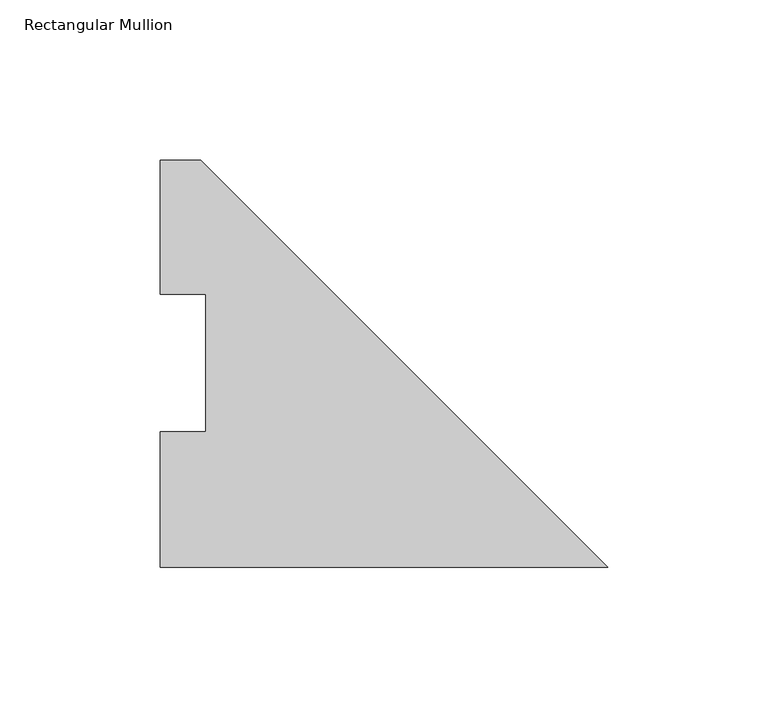
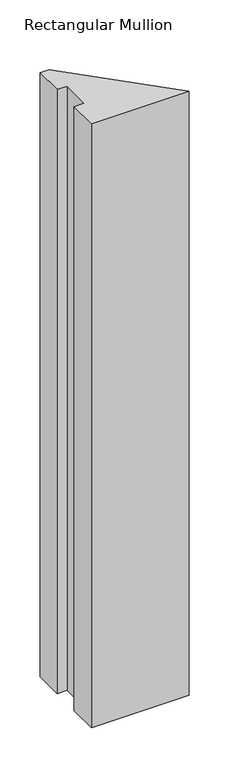
"""IFC4 building model written with IfcOpenShell, lengths in millimetres: member geometry, Rectangular Mullion."""

from ifc_helpers import new_model, si_unit, frame, origin, place, context, project, spatial, polyline, outline, extrude, source, transform, mapped, element, save


def rectangular_mullion_1a34fee9(model_context):
    return source(origin(), model_context, "Body", "SweptSolid", [
        extrude(outline(polyline([(0.0, -0.0294092), (-139.7, -0.0294092), (-139.7, 42.2798875), (-125.4125, 42.2798875), (-125.4125, 85.1296875), (-139.7, 85.1296875), (-139.7, 126.9705908), (-127.0, 126.9705908), (0.0, -0.0294092)])), frame((0.0, 0.0, -914.4), z_axis=(0.0, 0.0, 1.0), x_axis=(1.0, 0.0, 0.0)), (0.0, 0.0, 1.0), 914.4),
    ])


if __name__ == "__main__":
    model = new_model("IFC4")
    model_context = context("Model", 3, world=origin())
    ifc_project = project(units=[si_unit("LENGTHUNIT", "METRE", prefix="MILLI")], contexts=[model_context])
    site = spatial("IfcSite", under=ifc_project)
    building = spatial("IfcBuilding", under=site)
    placement = place(None, origin())
    rectangular_mullion_shape = rectangular_mullion_1a34fee9(model_context)
    element("IfcMember", 1, ObjectType="Rectangular Mullion", at=placement, inside=building, context=model_context, shape_type="MappedRepresentation", body=[
        mapped(rectangular_mullion_shape, transform((0.0, 0.0, 0.0), x_axis=(1.0, 0.0, 0.0), y_axis=(0.0, 1.0, 0.0), z_axis=(0.0, 0.0, 1.0))),
    ])
    save(model, "model.ifc")
